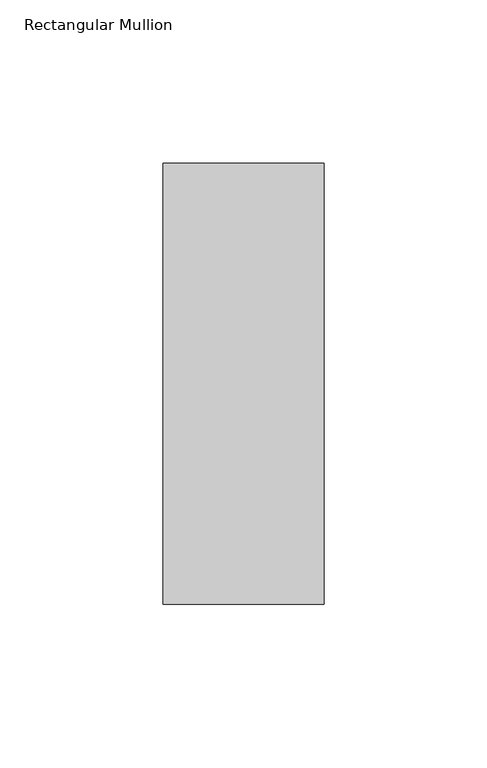
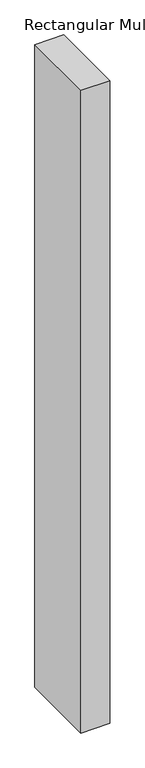
"""IFC4 building model written with IfcOpenShell, lengths in millimetres: member geometry, Rectangular Mullion."""

from ifc_helpers import new_model, si_unit, frame, origin, place, context, project, spatial, polyline, outline, extrude, source, transform, mapped, element, save


def rectangular_mullion_08a7fe89(model_context):
    return source(origin(), model_context, "Body", "SweptSolid", [
        extrude(outline(polyline([(0.0, -63.5), (-49.2116723, -63.5), (-49.2116723, 71.4248), (0.0, 71.4248), (0.0, -63.5)])), frame((0.0, 0.0, -1151.4560459), z_axis=(0.0, 0.0, 1.0), x_axis=(1.0, 0.0, 0.0)), (0.0, 0.0, 1.0), 1151.4560459),
    ])


if __name__ == "__main__":
    model = new_model("IFC4")
    model_context = context("Model", 3, world=origin())
    ifc_project = project(units=[si_unit("LENGTHUNIT", "METRE", prefix="MILLI")], contexts=[model_context])
    site = spatial("IfcSite", under=ifc_project)
    building = spatial("IfcBuilding", under=site)
    placement = place(None, origin())
    rectangular_mullion_shape = rectangular_mullion_08a7fe89(model_context)
    element("IfcMember", 1, ObjectType="Rectangular Mullion", at=placement, inside=building, context=model_context, shape_type="MappedRepresentation", body=[
        mapped(rectangular_mullion_shape, transform((0.0, 0.0, 0.0), x_axis=(1.0, 0.0, 0.0), y_axis=(0.0, 1.0, 0.0), z_axis=(0.0, 0.0, 1.0))),
    ])
    save(model, "model.ifc")
